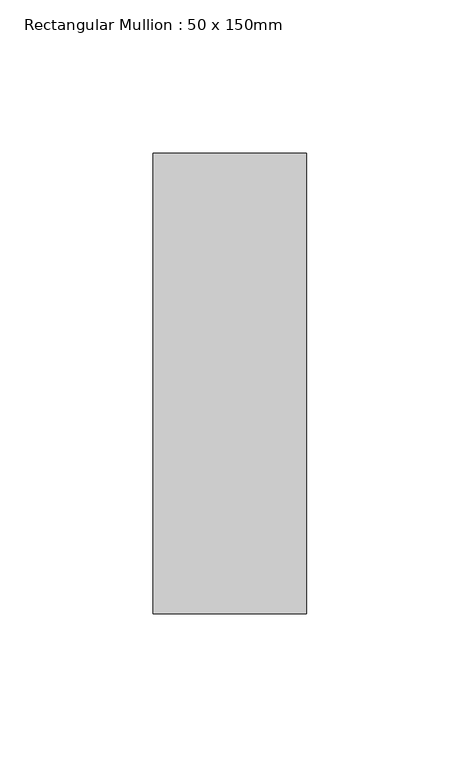
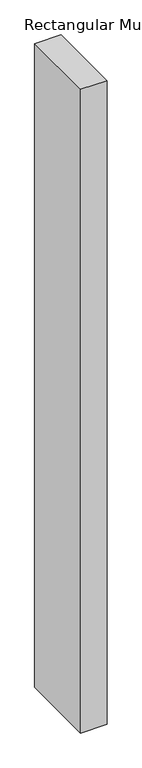
"""IFC4 building model written with IfcOpenShell, lengths in millimetres: member geometry, Rectangular Mullion : 50 x 150mm."""

import ifcopenshell
import ifcopenshell.guid

model = None  # the IFC model being written
_history = None  # IfcOwnerHistory: only IFC2X3 demands one
_inside = {}  # id of a spatial element -> (the spatial element, [elements in it])
_under = {}  # id of a project, library or spatial element -> (it, [spatial elements below it])
_declared = {}  # id of a project -> (the project, [libraries it declares])
_typed = {}  # id of a type object -> (the type object, [elements of that type])
_made_of = {}  # id of a material, layer set ... -> (it, [elements and type objects made of it])


def new_model(schema):
    """Start an empty IFC model of exactly this schema.

    Asked for "IFC4X3", IfcOpenShell would pick the latest addendum, in which some entities
    have other attributes; the version numbers below select the first issue.
    IFC2X3 requires an IfcOwnerHistory on every rooted entity: one is made here for all.
    """
    global model, _history
    if schema == "IFC4X3":
        model = ifcopenshell.file(schema_version=(4, 3, 0, 0))
    else:
        model = ifcopenshell.file(schema=schema)
    _inside.clear()
    _under.clear()
    _declared.clear()
    _typed.clear()
    _made_of.clear()
    _history = None
    if model.schema == "IFC2X3":
        org = make("IfcOrganization", Name="unknown")
        user = make(
            "IfcPersonAndOrganization",
            ThePerson=make("IfcPerson", FamilyName="unknown"),
            TheOrganization=org,
        )
        app = make(
            "IfcApplication",
            ApplicationDeveloper=org,
            Version="unknown",
            ApplicationFullName="unknown",
            ApplicationIdentifier="unknown",
        )
        _history = make(
            "IfcOwnerHistory",
            OwningUser=user,
            OwningApplication=app,
            ChangeAction="ADDED",
            CreationDate=0,
        )
    return model


def make(cls, **values):
    """One entity of the class cls with the attributes given. An attribute that is None is left unset."""
    return model.create_entity(
        cls, **{name: value for name, value in values.items() if value is not None}
    )


def rooted(cls, **values):
    """An entity with a GlobalId (a new one), such as an element, a storey or a relation."""
    return make(cls, GlobalId=ifcopenshell.guid.new(), OwnerHistory=_history, **values)


def si_unit(unit_type, name, prefix=None):
    """IfcSIUnit, for example si_unit("LENGTHUNIT", "METRE", prefix="MILLI")."""
    return make("IfcSIUnit", UnitType=unit_type, Prefix=prefix, Name=name)


def assignment(units):
    """IfcUnitAssignment: the units of a project."""
    return None if units is None else make("IfcUnitAssignment", Units=units)


def point(xyz):
    """IfcCartesianPoint."""
    return None if xyz is None else make("IfcCartesianPoint", Coordinates=xyz)


def direction(xyz):
    """IfcDirection."""
    return None if xyz is None else make("IfcDirection", DirectionRatios=xyz)


def frame(location, z_axis=None, x_axis=None):
    """IfcAxis2Placement3D, a coordinate frame: its origin and axes. An axis left out is left unset."""
    return make(
        "IfcAxis2Placement3D",
        Location=point(location),
        Axis=direction(z_axis),
        RefDirection=direction(x_axis),
    )


def origin():
    """The frame at (0, 0, 0) with its axes left unset."""
    return frame((0.0, 0.0, 0.0))


def place(relative_to, where):
    """IfcLocalPlacement: puts the frame where relative to a parent placement (None: the world)."""
    return make(
        "IfcLocalPlacement", PlacementRelTo=relative_to, RelativePlacement=where
    )


def context(
    kind, dimensions, precision=None, world=None, true_north=None, identifier=None
):
    """IfcGeometricRepresentationContext, for example the 3D "Model" context."""
    return make(
        "IfcGeometricRepresentationContext",
        ContextIdentifier=identifier,
        ContextType=kind,
        CoordinateSpaceDimension=dimensions,
        Precision=precision,
        WorldCoordinateSystem=world,
        TrueNorth=true_north,
    )


def project(units=None, contexts=None):
    """IfcProject with its units and contexts."""
    return rooted(
        "IfcProject",
        Name="project",
        RepresentationContexts=contexts,
        UnitsInContext=assignment(units),
    )


def spatial(cls, under=None, at=None, **own):
    """A site, building, storey or space (cls), placed at a placement, below another one or the project."""
    s = rooted(cls, ObjectPlacement=at, **own)
    if under is not None:
        _under.setdefault(under.id(), (under, []))[1].append(s)
    return s


def polyline(points):
    """IfcPolyline through the points."""
    return make("IfcPolyline", Points=[point(p) for p in points])


def outline(outer, holes=None, kind="AREA"):
    """IfcArbitraryClosedProfileDef: a profile drawn as a closed curve; with holes, ...WithVoids."""
    if holes is None:
        return make("IfcArbitraryClosedProfileDef", ProfileType=kind, OuterCurve=outer)
    return make(
        "IfcArbitraryProfileDefWithVoids",
        ProfileType=kind,
        OuterCurve=outer,
        InnerCurves=holes,
    )


def extrude(swept, where, along, depth):
    """IfcExtrudedAreaSolid: the profile swept, set in the frame where, extruded along a direction by depth."""
    return make(
        "IfcExtrudedAreaSolid",
        SweptArea=swept,
        Position=where,
        ExtrudedDirection=direction(along),
        Depth=depth,
    )


def shape(context_of_items, identifier, shape_type, items):
    """IfcShapeRepresentation: the items that make up one representation, for example the "Body"."""
    return make(
        "IfcShapeRepresentation",
        ContextOfItems=context_of_items,
        RepresentationIdentifier=identifier,
        RepresentationType=shape_type,
        Items=items,
    )


def source(mapping_origin, context_of_items, identifier, shape_type, items):
    """IfcRepresentationMap: a shape defined once, which mapped items show again and again."""
    return make(
        "IfcRepresentationMap",
        MappingOrigin=mapping_origin,
        MappedRepresentation=shape(context_of_items, identifier, shape_type, items),
    )


def transform(
    local_origin,
    x_axis=None,
    y_axis=None,
    z_axis=None,
    scale=None,
    scale2=None,
    scale3=None,
    uniform=True,
):
    """IfcCartesianTransformationOperator3D, or its non-uniform kind. x_axis, y_axis, z_axis: its Axis1, 2, 3."""
    if uniform:
        return make(
            "IfcCartesianTransformationOperator3D",
            Axis1=direction(x_axis),
            Axis2=direction(y_axis),
            LocalOrigin=point(local_origin),
            Scale=scale,
            Axis3=direction(z_axis),
        )
    return make(
        "IfcCartesianTransformationOperator3DnonUniform",
        Axis1=direction(x_axis),
        Axis2=direction(y_axis),
        LocalOrigin=point(local_origin),
        Scale=scale,
        Axis3=direction(z_axis),
        Scale2=scale2,
        Scale3=scale3,
    )


def mapped(mapping_source, mapping_target):
    """IfcMappedItem: shows the shape of a source again, moved by a transform."""
    return make(
        "IfcMappedItem", MappingSource=mapping_source, MappingTarget=mapping_target
    )


def made_of(thing, what):
    """Note that an element or type object is made of a material, layer set ...; save() writes the relation."""
    if what is not None:
        _made_of.setdefault(what.id(), (what, []))[1].append(thing)
    return thing


def element(
    cls,
    number,
    at=None,
    inside=None,
    cuts=None,
    type_object=None,
    material=None,
    context=None,
    identifier="Body",
    shape_type=None,
    held_by="IfcProductDefinitionShape",
    body=None,
    shapes=None,
    **own,
):
    """One element of the class cls, such as IfcWall. Its Tag is "e" and its number.

    at: its placement. inside: the storey or other place that contains it. cuts: it is an
    opening in that element (IfcRelVoidsElement). A single representation is given by context,
    identifier, shape_type and body (its items); several are given by shapes. held_by: the class
    of the entity that holds the representations. save() writes the other relations.
    """
    e = rooted(cls, Tag="e%d" % number, ObjectPlacement=at, **own)
    if body is not None:
        shapes = [shape(context, identifier, shape_type, body)]
    if shapes is not None:
        e.Representation = make(held_by, Representations=shapes)
    if inside is not None:
        _inside.setdefault(inside.id(), (inside, []))[1].append(e)
    if cuts is not None:
        rooted(
            "IfcRelVoidsElement", RelatingBuildingElement=cuts, RelatedOpeningElement=e
        )
    if type_object is not None:
        _typed.setdefault(type_object.id(), (type_object, []))[1].append(e)
    return made_of(e, material)


def aggregate(whole, parts):
    """IfcRelAggregates: a whole, such as a stair, and the parts it consists of."""
    return rooted("IfcRelAggregates", RelatingObject=whole, RelatedObjects=parts)


def save(model, path):
    """Write the relations noted so far, then the file.

    IfcRelAggregates (storeys below a building ...), IfcRelContainedInSpatialStructure (elements
    in a storey), IfcRelDefinesByType, IfcRelAssociatesMaterial and IfcRelDeclares: one each for
    every whole, place, type object, material and project.
    """
    for whole, parts in _under.values():
        aggregate(whole, parts)
    for where, things in _inside.values():
        rooted(
            "IfcRelContainedInSpatialStructure",
            RelatedElements=things,
            RelatingStructure=where,
        )
    for kind, things in _typed.values():
        rooted("IfcRelDefinesByType", RelatedObjects=things, RelatingType=kind)
    for what, things in _made_of.values():
        rooted("IfcRelAssociatesMaterial", RelatedObjects=things, RelatingMaterial=what)
    for by, libraries in _declared.values():
        rooted("IfcRelDeclares", RelatingContext=by, RelatedDefinitions=libraries)
    model.write(path)


def rectangular_mullion_50_x_150mm_88cf3b1f(model_context):
    return source(origin(), model_context, "Body", "SweptSolid", [
        extrude(outline(polyline([(0.0, 75.0), (0.0, -75.0), (-50.0, -75.0), (-50.0, 75.0), (0.0, 75.0)])), frame((0.0, 0.0, -1281.25), z_axis=(0.0, 0.0, 1.0), x_axis=(1.0, 0.0, 0.0)), (0.0, 0.0, 1.0), 1281.25),
    ])


if __name__ == "__main__":
    model = new_model("IFC4")
    model_context = context("Model", 3, world=origin())
    ifc_project = project(units=[si_unit("LENGTHUNIT", "METRE", prefix="MILLI")], contexts=[model_context])
    site = spatial("IfcSite", under=ifc_project)
    building = spatial("IfcBuilding", under=site)
    placement = place(None, origin())
    rectangular_mullion_50_x_150mm_shape = rectangular_mullion_50_x_150mm_88cf3b1f(model_context)
    element("IfcMember", 1, ObjectType="Rectangular Mullion : 50 x 150mm", at=placement, inside=building, context=model_context, shape_type="MappedRepresentation", body=[
        mapped(rectangular_mullion_50_x_150mm_shape, transform((0.0, 0.0, 0.0), x_axis=(1.0, 0.0, 0.0), y_axis=(0.0, 1.0, 0.0), z_axis=(0.0, 0.0, 1.0))),
    ])
    save(model, "model.ifc")
